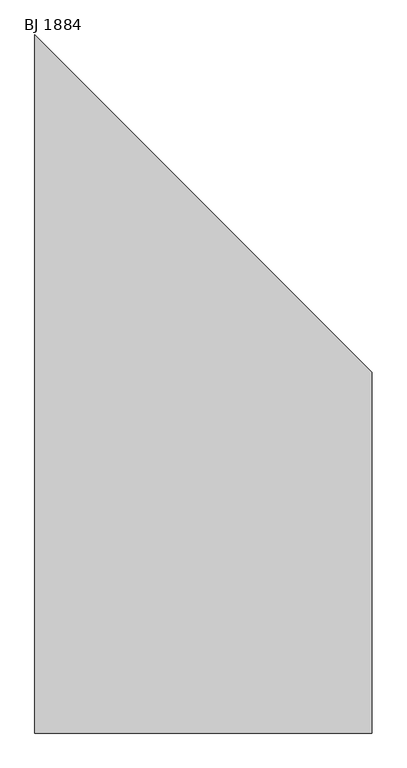
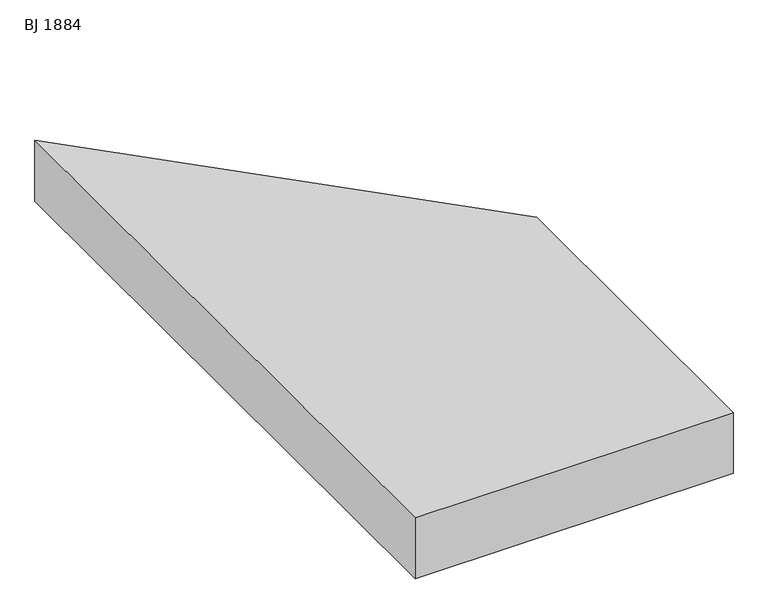
"""IFC4 building model written with IfcOpenShell, lengths in millimetres: proxy geometry, BJ 1884."""

import ifcopenshell
import ifcopenshell.guid

model = None  # the IFC model being written
_history = None  # IfcOwnerHistory: only IFC2X3 demands one
_inside = {}  # id of a spatial element -> (the spatial element, [elements in it])
_under = {}  # id of a project, library or spatial element -> (it, [spatial elements below it])
_declared = {}  # id of a project -> (the project, [libraries it declares])
_typed = {}  # id of a type object -> (the type object, [elements of that type])
_made_of = {}  # id of a material, layer set ... -> (it, [elements and type objects made of it])


def new_model(schema):
    """Start an empty IFC model of exactly this schema.

    Asked for "IFC4X3", IfcOpenShell would pick the latest addendum, in which some entities
    have other attributes; the version numbers below select the first issue.
    IFC2X3 requires an IfcOwnerHistory on every rooted entity: one is made here for all.
    """
    global model, _history
    if schema == "IFC4X3":
        model = ifcopenshell.file(schema_version=(4, 3, 0, 0))
    else:
        model = ifcopenshell.file(schema=schema)
    _inside.clear()
    _under.clear()
    _declared.clear()
    _typed.clear()
    _made_of.clear()
    _history = None
    if model.schema == "IFC2X3":
        org = make("IfcOrganization", Name="unknown")
        user = make(
            "IfcPersonAndOrganization",
            ThePerson=make("IfcPerson", FamilyName="unknown"),
            TheOrganization=org,
        )
        app = make(
            "IfcApplication",
            ApplicationDeveloper=org,
            Version="unknown",
            ApplicationFullName="unknown",
            ApplicationIdentifier="unknown",
        )
        _history = make(
            "IfcOwnerHistory",
            OwningUser=user,
            OwningApplication=app,
            ChangeAction="ADDED",
            CreationDate=0,
        )
    return model


def make(cls, **values):
    """One entity of the class cls with the attributes given. An attribute that is None is left unset."""
    return model.create_entity(
        cls, **{name: value for name, value in values.items() if value is not None}
    )


def rooted(cls, **values):
    """An entity with a GlobalId (a new one), such as an element, a storey or a relation."""
    return make(cls, GlobalId=ifcopenshell.guid.new(), OwnerHistory=_history, **values)


def si_unit(unit_type, name, prefix=None):
    """IfcSIUnit, for example si_unit("LENGTHUNIT", "METRE", prefix="MILLI")."""
    return make("IfcSIUnit", UnitType=unit_type, Prefix=prefix, Name=name)


def assignment(units):
    """IfcUnitAssignment: the units of a project."""
    return None if units is None else make("IfcUnitAssignment", Units=units)


def point(xyz):
    """IfcCartesianPoint."""
    return None if xyz is None else make("IfcCartesianPoint", Coordinates=xyz)


def direction(xyz):
    """IfcDirection."""
    return None if xyz is None else make("IfcDirection", DirectionRatios=xyz)


def frame(location, z_axis=None, x_axis=None):
    """IfcAxis2Placement3D, a coordinate frame: its origin and axes. An axis left out is left unset."""
    return make(
        "IfcAxis2Placement3D",
        Location=point(location),
        Axis=direction(z_axis),
        RefDirection=direction(x_axis),
    )


def origin():
    """The frame at (0, 0, 0) with its axes left unset."""
    return frame((0.0, 0.0, 0.0))


def place(relative_to, where):
    """IfcLocalPlacement: puts the frame where relative to a parent placement (None: the world)."""
    return make(
        "IfcLocalPlacement", PlacementRelTo=relative_to, RelativePlacement=where
    )


def context(
    kind, dimensions, precision=None, world=None, true_north=None, identifier=None
):
    """IfcGeometricRepresentationContext, for example the 3D "Model" context."""
    return make(
        "IfcGeometricRepresentationContext",
        ContextIdentifier=identifier,
        ContextType=kind,
        CoordinateSpaceDimension=dimensions,
        Precision=precision,
        WorldCoordinateSystem=world,
        TrueNorth=true_north,
    )


def project(units=None, contexts=None):
    """IfcProject with its units and contexts."""
    return rooted(
        "IfcProject",
        Name="project",
        RepresentationContexts=contexts,
        UnitsInContext=assignment(units),
    )


def spatial(cls, under=None, at=None, **own):
    """A site, building, storey or space (cls), placed at a placement, below another one or the project."""
    s = rooted(cls, ObjectPlacement=at, **own)
    if under is not None:
        _under.setdefault(under.id(), (under, []))[1].append(s)
    return s


def polyline(points):
    """IfcPolyline through the points."""
    return make("IfcPolyline", Points=[point(p) for p in points])


def outline(outer, holes=None, kind="AREA"):
    """IfcArbitraryClosedProfileDef: a profile drawn as a closed curve; with holes, ...WithVoids."""
    if holes is None:
        return make("IfcArbitraryClosedProfileDef", ProfileType=kind, OuterCurve=outer)
    return make(
        "IfcArbitraryProfileDefWithVoids",
        ProfileType=kind,
        OuterCurve=outer,
        InnerCurves=holes,
    )


def extrude(swept, where, along, depth):
    """IfcExtrudedAreaSolid: the profile swept, set in the frame where, extruded along a direction by depth."""
    return make(
        "IfcExtrudedAreaSolid",
        SweptArea=swept,
        Position=where,
        ExtrudedDirection=direction(along),
        Depth=depth,
    )


def shape(context_of_items, identifier, shape_type, items):
    """IfcShapeRepresentation: the items that make up one representation, for example the "Body"."""
    return make(
        "IfcShapeRepresentation",
        ContextOfItems=context_of_items,
        RepresentationIdentifier=identifier,
        RepresentationType=shape_type,
        Items=items,
    )


def source(mapping_origin, context_of_items, identifier, shape_type, items):
    """IfcRepresentationMap: a shape defined once, which mapped items show again and again."""
    return make(
        "IfcRepresentationMap",
        MappingOrigin=mapping_origin,
        MappedRepresentation=shape(context_of_items, identifier, shape_type, items),
    )


def transform(
    local_origin,
    x_axis=None,
    y_axis=None,
    z_axis=None,
    scale=None,
    scale2=None,
    scale3=None,
    uniform=True,
):
    """IfcCartesianTransformationOperator3D, or its non-uniform kind. x_axis, y_axis, z_axis: its Axis1, 2, 3."""
    if uniform:
        return make(
            "IfcCartesianTransformationOperator3D",
            Axis1=direction(x_axis),
            Axis2=direction(y_axis),
            LocalOrigin=point(local_origin),
            Scale=scale,
            Axis3=direction(z_axis),
        )
    return make(
        "IfcCartesianTransformationOperator3DnonUniform",
        Axis1=direction(x_axis),
        Axis2=direction(y_axis),
        LocalOrigin=point(local_origin),
        Scale=scale,
        Axis3=direction(z_axis),
        Scale2=scale2,
        Scale3=scale3,
    )


def mapped(mapping_source, mapping_target):
    """IfcMappedItem: shows the shape of a source again, moved by a transform."""
    return make(
        "IfcMappedItem", MappingSource=mapping_source, MappingTarget=mapping_target
    )


def made_of(thing, what):
    """Note that an element or type object is made of a material, layer set ...; save() writes the relation."""
    if what is not None:
        _made_of.setdefault(what.id(), (what, []))[1].append(thing)
    return thing


def element(
    cls,
    number,
    at=None,
    inside=None,
    cuts=None,
    type_object=None,
    material=None,
    context=None,
    identifier="Body",
    shape_type=None,
    held_by="IfcProductDefinitionShape",
    body=None,
    shapes=None,
    **own,
):
    """One element of the class cls, such as IfcWall. Its Tag is "e" and its number.

    at: its placement. inside: the storey or other place that contains it. cuts: it is an
    opening in that element (IfcRelVoidsElement). A single representation is given by context,
    identifier, shape_type and body (its items); several are given by shapes. held_by: the class
    of the entity that holds the representations. save() writes the other relations.
    """
    e = rooted(cls, Tag="e%d" % number, ObjectPlacement=at, **own)
    if body is not None:
        shapes = [shape(context, identifier, shape_type, body)]
    if shapes is not None:
        e.Representation = make(held_by, Representations=shapes)
    if inside is not None:
        _inside.setdefault(inside.id(), (inside, []))[1].append(e)
    if cuts is not None:
        rooted(
            "IfcRelVoidsElement", RelatingBuildingElement=cuts, RelatedOpeningElement=e
        )
    if type_object is not None:
        _typed.setdefault(type_object.id(), (type_object, []))[1].append(e)
    return made_of(e, material)


def aggregate(whole, parts):
    """IfcRelAggregates: a whole, such as a stair, and the parts it consists of."""
    return rooted("IfcRelAggregates", RelatingObject=whole, RelatedObjects=parts)


def save(model, path):
    """Write the relations noted so far, then the file.

    IfcRelAggregates (storeys below a building ...), IfcRelContainedInSpatialStructure (elements
    in a storey), IfcRelDefinesByType, IfcRelAssociatesMaterial and IfcRelDeclares: one each for
    every whole, place, type object, material and project.
    """
    for whole, parts in _under.values():
        aggregate(whole, parts)
    for where, things in _inside.values():
        rooted(
            "IfcRelContainedInSpatialStructure",
            RelatedElements=things,
            RelatingStructure=where,
        )
    for kind, things in _typed.values():
        rooted("IfcRelDefinesByType", RelatedObjects=things, RelatingType=kind)
    for what, things in _made_of.values():
        rooted("IfcRelAssociatesMaterial", RelatedObjects=things, RelatingMaterial=what)
    for by, libraries in _declared.values():
        rooted("IfcRelDeclares", RelatingContext=by, RelatedDefinitions=libraries)
    model.write(path)


def bj_1884_be467b02(model_context):
    return source(origin(), model_context, "Body", "SweptSolid", [
        extrude(outline(polyline([(-600.0, -1884.0), (-600.0, 600.0), (600.0, -600.0), (600.0, -1884.0), (-600.0, -1884.0)])), frame((0.0, 0.0, -243.0), z_axis=(0.0, 0.0, 1.0), x_axis=(1.0, 0.0, 0.0)), (0.0, 0.0, 1.0), 243.0),
    ])


if __name__ == "__main__":
    model = new_model("IFC4")
    model_context = context("Model", 3, world=origin())
    ifc_project = project(units=[si_unit("LENGTHUNIT", "METRE", prefix="MILLI")], contexts=[model_context])
    site = spatial("IfcSite", under=ifc_project)
    building = spatial("IfcBuilding", under=site)
    placement = place(None, origin())
    bj_1884_shape = bj_1884_be467b02(model_context)
    element("IfcBuildingElementProxy", 1, Name="BJ 1884", ObjectType="BJ 1884", at=placement, inside=building, context=model_context, shape_type="MappedRepresentation", body=[
        mapped(bj_1884_shape, transform((0.0, 0.0, 0.0), x_axis=(1.0, 0.0, 0.0), y_axis=(0.0, 1.0, 0.0), z_axis=(0.0, 0.0, 1.0))),
    ])
    save(model, "model.ifc")
